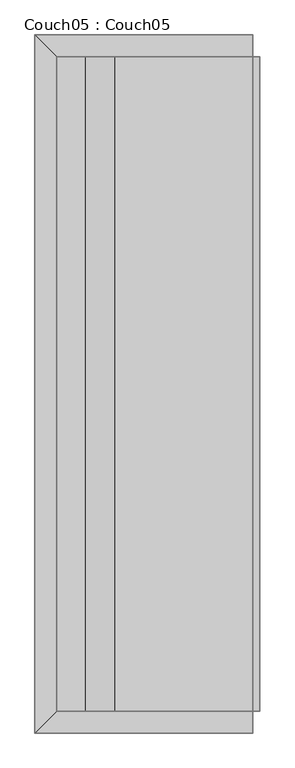
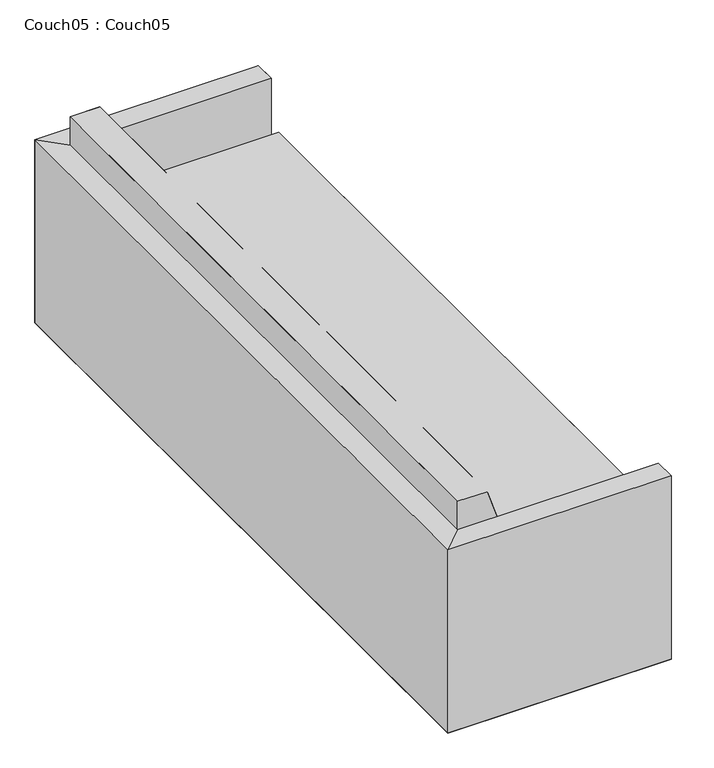
"""IFC4 building model written with IfcOpenShell, lengths in millimetres: furniture geometry, Couch05 : Couch05."""

from ifc_helpers import new_model, si_unit, origin, place, context, project, spatial, triangles, source, transform, mapped, element, save


def couch05_couch05_4b253250(model_context):
    return source(origin(), model_context, "Body", "Tessellation", [
        triangles([(0.0, 1219.2, 660.4000969), (76.2, 1143.0, 660.4000969), (0.0, -1219.2, 660.3998789), (76.2, -1143.0, 660.3998789), (76.2, 380.9999637, 762.0000727), (76.2, 1143.0, 762.0000727), (177.7999939, 380.9999637, 762.0000727), (177.7999939, 1143.0, 762.0000727), (279.4000061, 381.0, 457.2000363), (279.4000061, 1143.0, 457.200109), (787.3999758, 381.0, 457.2000363), (787.3999758, 1143.0, 457.200109), (279.4000061, -381.0, 457.1999637), (787.3999758, -381.0, 457.1999637), (76.2, -381.0000363, 761.9999273), (177.7999939, -381.0000363, 761.9999273), (279.4000061, -1143.0, 457.199891), (787.3999758, -1143.0, 457.199891), (76.2, -1143.0, 761.9999273), (177.7999939, -1143.0, 761.9999273), (0.0, 1219.2, 0.0001066), (76.2, 1143.0, 9.99e-05), (0.0, -1219.2, -0.0001066), (76.2, -1143.0, -9.99e-05)], [[1, 3, 2], [4, 2, 3], [5, 7, 6], [8, 6, 7], [9, 11, 10], [12, 10, 11], [13, 14, 9], [11, 9, 14], [15, 16, 5], [7, 5, 16], [17, 18, 13], [14, 13, 18], [19, 20, 15], [16, 15, 20], [21, 23, 22], [24, 22, 23]], closed=False),
        triangles([(0.0, -1219.2, 660.4000242), (76.2, -1143.0, 660.4000242), (762.0, -1219.2, 660.4000242), (762.0, -1143.0, 660.4000242), (0.0, -1219.2, -3.3e-06), (76.2, -1143.0, 3.3e-06), (762.0, -1219.2, -3.3e-06), (762.0, -1143.0, 3.3e-06)], [[1, 3, 2], [4, 2, 3], [5, 7, 6], [8, 6, 7]], closed=False),
        triangles([(0.0, 1219.2, 660.4000242), (762.0, 1219.2, 660.4000242), (76.2, 1143.0, 660.4000242), (762.0, 1143.0, 660.4000242), (0.0, 1219.2, 3.3e-06), (762.0, 1219.2, 3.3e-06), (76.2, 1143.0, -3.3e-06), (762.0, 1143.0, -3.3e-06)], [[1, 3, 2], [4, 2, 3], [5, 7, 6], [8, 6, 7]], closed=False),
        triangles([(177.7999939, 380.9999637, 762.0000727), (177.7999939, 1143.0, 762.0000727), (279.4000061, 381.0, 457.2000363), (279.4000061, 1143.0, 457.200109), (177.7999939, -381.0000363, 761.9999273), (279.4000061, -381.0, 457.1999637), (177.7999939, -1143.0, 761.9999273), (279.4000061, -1143.0, 457.199891), (762.0, 1143.0, 9.99e-05), (762.0, 1143.0, 660.4000969), (762.0, 1219.2, 660.4000969), (762.0, 1219.2, 0.0001066), (0.0, 1219.2, 660.4000969), (0.0, 1219.2, 0.0001066), (0.0, -1219.2, 660.3998789), (0.0, -1219.2, -0.0001066), (762.0, -1219.2, -0.0001066), (762.0, -1219.2, 660.3998789), (762.0, -1143.0, 660.3998789), (762.0, -1143.0, -9.99e-05), (787.3999758, 381.0, 457.2000363), (787.3999758, 1143.0, 457.200109), (787.3999758, 381.0, 355.6000242), (787.3999758, 1143.0, 355.6000969), (787.3999758, -381.0, 457.1999637), (787.3999758, -381.0, 355.5999879), (787.3999758, -1143.0, 457.199891), (787.3999758, -1143.0, 355.5999152), (762.0, -1143.0, 355.5999152), (762.0, 1143.0, 355.6000969), (76.2, -1143.0, 761.9999273), (76.2, 1143.0, 762.0000727), (76.2, -1143.0, 660.3998789), (76.2, 1143.0, 660.4000969)], [[1, 3, 2], [4, 2, 3], [5, 6, 1], [3, 1, 6], [7, 8, 5], [6, 5, 8], [9, 11, 10], [11, 9, 12], [13, 15, 14], [16, 14, 15], [17, 19, 18], [19, 17, 20], [21, 23, 22], [24, 22, 23], [21, 25, 23], [26, 23, 25], [25, 27, 26], [28, 26, 27], [29, 20, 30], [9, 30, 20], [31, 33, 32], [34, 32, 33]], closed=False),
        triangles([(76.2, 1143.0, 9.99e-05), (76.2, 1143.0, 660.4000969), (762.0, 1143.0, 9.99e-05), (762.0, 1143.0, 660.4000969), (762.0, 1219.2, 660.4000969), (762.0, 1219.2, 0.0001066), (0.0, 1219.2, 660.4000969), (0.0, 1219.2, 0.0001066), (0.0, -1219.2, -0.0001066), (0.0, -1219.2, 660.3998789), (762.0, -1219.2, -0.0001066), (762.0, -1219.2, 660.3998789), (762.0, -1143.0, 660.3998789), (762.0, -1143.0, -9.99e-05), (76.2, -1143.0, -9.99e-05), (76.2, -1143.0, 660.3998789), (762.0, -1143.0, 457.199891), (787.3999758, -1143.0, 457.199891), (762.0, -1143.0, 355.5999152), (787.3999758, -1143.0, 355.5999152), (177.7999939, -1143.0, 761.9999273), (279.4000061, -1143.0, 457.199891), (76.2, -1143.0, 761.9999273), (76.2, -1143.0, 457.199891), (177.7999939, 1143.0, 762.0000727), (279.4000061, 1143.0, 457.200109), (76.2, 1143.0, 762.0000727), (76.2, 1143.0, 457.200109), (762.0, 1143.0, 457.200109), (787.3999758, 1143.0, 457.200109), (762.0, 1143.0, 355.6000969), (787.3999758, 1143.0, 355.6000969)], [[1, 3, 2], [4, 2, 3], [5, 7, 6], [8, 6, 7], [9, 11, 10], [12, 10, 11], [13, 15, 14], [15, 13, 16], [17, 19, 18], [20, 18, 19], [21, 23, 22], [24, 22, 23], [25, 27, 26], [28, 26, 27], [29, 31, 30], [32, 30, 31]], closed=False),
    ])


if __name__ == "__main__":
    model = new_model("IFC4")
    model_context = context("Model", 3, world=origin())
    ifc_project = project(units=[si_unit("LENGTHUNIT", "METRE", prefix="MILLI")], contexts=[model_context])
    site = spatial("IfcSite", under=ifc_project)
    building = spatial("IfcBuilding", under=site)
    placement = place(None, origin())
    couch05_couch05_shape = couch05_couch05_4b253250(model_context)
    element("IfcFurniture", 1, ObjectType="Couch05 : Couch05", at=placement, inside=building, context=model_context, shape_type="MappedRepresentation", body=[
        mapped(couch05_couch05_shape, transform((0.0, 0.0, 0.0), x_axis=(1.0, 0.0, 0.0), y_axis=(0.0, 1.0, 0.0), z_axis=(0.0, 0.0, 1.0))),
    ])
    save(model, "model.ifc")
